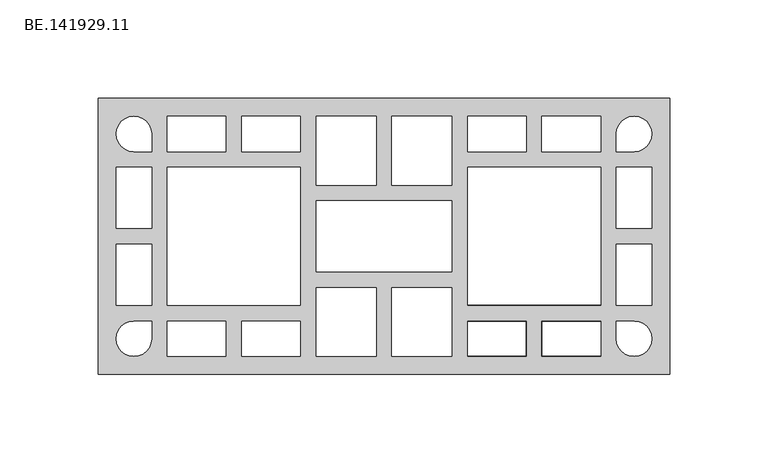
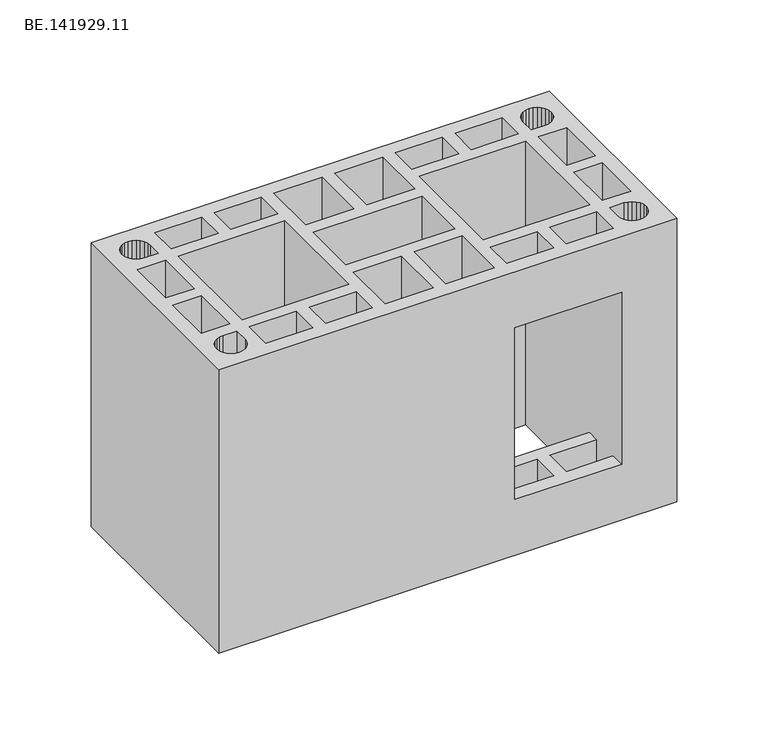
"""IFC4 building model written with IfcOpenShell, lengths in millimetres: proxy geometry, BE.141929.11."""

from ifc_helpers import new_model, si_unit, origin, place, context, project, spatial, faceted_brep, source, transform, mapped, element, save


def be_141929_11_9136598c(model_context):
    return source(origin(), model_context, "Body", "Brep", [
        faceted_brep([(295.0, 70.0050293, 190.0), (5.0, 70.0050293, 190.0), (5.0, -70.0050293, 190.0), (295.0, -70.0050293, 190.0), (29.352002, 58.3592285, 190.0), (30.7844727, 56.498877, 190.0), (31.6774414, 54.3408691, 190.0), (31.9937012, 51.9968262, 190.0), (31.9937012, 43.0113281, 190.0), (22.9895996, 43.0113281, 190.0), (20.6641602, 43.3089844, 190.0), (18.4875488, 44.2019531, 190.0), (16.6271973, 45.6344238, 190.0), (15.1947266, 47.4947754, 190.0), (14.3017578, 49.6713867, 190.0), (13.985498, 51.9968262, 190.0), (14.3017578, 54.3408691, 190.0), (15.1947266, 56.498877, 190.0), (16.6271973, 58.3592285, 190.0), (18.4875488, 59.7916992, 190.0), (20.6641602, 60.7032715, 190.0), (22.9895996, 61.0009277, 190.0), (25.3150391, 60.7032715, 190.0), (27.4916504, 59.7916992, 190.0), (69.7402344, 61.0009277, 190.0), (69.7402344, 43.0113281, 190.0), (39.9932129, 43.0113281, 190.0), (39.9932129, 61.0009277, 190.0), (107.4867676, 61.0009277, 190.0), (107.4867676, 43.0113281, 190.0), (77.7397461, 43.0113281, 190.0), (77.7397461, 61.0009277, 190.0), (145.9960449, 61.0009277, 190.0), (145.9960449, 26.0077148, 190.0), (115.4862793, 26.0077148, 190.0), (115.4862793, 61.0009277, 190.0), (184.4867188, 18.0082031, 190.0), (184.4867188, -17.9895996, 190.0), (115.4862793, -17.9895996, 190.0), (115.4862793, 18.0082031, 190.0), (184.4867188, 26.0077148, 190.0), (153.9955566, 26.0077148, 190.0), (153.9955566, 61.0009277, 190.0), (184.4867188, 61.0009277, 190.0), (192.4862305, 61.0009277, 190.0), (222.233252, 61.0009277, 190.0), (222.233252, 43.0113281, 190.0), (192.4862305, 43.0113281, 190.0), (259.9983887, 61.0009277, 190.0), (259.9983887, 43.0113281, 190.0), (230.2327637, 43.0113281, 190.0), (230.2327637, 61.0009277, 190.0), (269.1885254, 56.498877, 190.0), (270.6209961, 58.3592285, 190.0), (272.4999512, 59.7916992, 190.0), (274.657959, 60.7032715, 190.0), (276.9833984, 61.0009277, 190.0), (279.3274414, 60.7032715, 190.0), (281.4854492, 59.7916992, 190.0), (283.3458008, 58.3592285, 190.0), (284.7782715, 56.498877, 190.0), (285.6898438, 54.3408691, 190.0), (285.9875, 51.9968262, 190.0), (285.6898438, 49.6713867, 190.0), (284.7782715, 47.4947754, 190.0), (283.3458008, 45.6344238, 190.0), (281.4854492, 44.2019531, 190.0), (279.3274414, 43.3089844, 190.0), (276.9833984, 43.0113281, 190.0), (267.9979004, 43.0113281, 190.0), (267.9979004, 51.9968262, 190.0), (268.2955566, 54.3408691, 190.0), (107.4867676, 35.0118164, 190.0), (107.4867676, -34.9932129, 190.0), (39.9932129, -34.9932129, 190.0), (39.9932129, 35.0118164, 190.0), (259.9983887, 35.0118164, 190.0), (259.9983887, -34.9932129, 190.0), (192.4862305, -34.9932129, 190.0), (192.4862305, 35.0118164, 190.0), (267.9979004, 35.0118164, 190.0), (285.9875, 35.0118164, 190.0), (285.9875, 3.9997559, 190.0), (267.9979004, 3.9997559, 190.0), (29.352002, -58.3592285, 190.0), (27.4916504, -59.7916992, 190.0), (25.3150391, -60.7032715, 190.0), (22.9895996, -61.0009277, 190.0), (20.6641602, -60.7032715, 190.0), (18.4875488, -59.7916992, 190.0), (16.6271973, -58.3592285, 190.0), (15.1947266, -56.498877, 190.0), (14.3017578, -54.3408691, 190.0), (13.985498, -51.9968262, 190.0), (14.3017578, -49.6713867, 190.0), (15.1947266, -47.4947754, 190.0), (16.6271973, -45.6344238, 190.0), (18.4875488, -44.2019531, 190.0), (20.6641602, -43.3089844, 190.0), (22.9895996, -43.0113281, 190.0), (31.9937012, -43.0113281, 190.0), (31.9937012, -51.9968262, 190.0), (31.6774414, -54.3408691, 190.0), (30.7844727, -56.498877, 190.0), (69.7402344, -61.0009277, 190.0), (39.9932129, -61.0009277, 190.0), (39.9932129, -43.0113281, 190.0), (69.7402344, -43.0113281, 190.0), (107.4867676, -61.0009277, 190.0), (77.7397461, -61.0009277, 190.0), (77.7397461, -43.0113281, 190.0), (107.4867676, -43.0113281, 190.0), (145.9960449, -61.0009277, 190.0), (115.4862793, -61.0009277, 190.0), (115.4862793, -26.0077148, 190.0), (145.9960449, -26.0077148, 190.0), (184.4867188, -26.0077148, 190.0), (184.4867188, -61.0009277, 190.0), (153.9955566, -61.0009277, 190.0), (153.9955566, -26.0077148, 190.0), (192.4862305, -61.0009277, 190.0), (192.4862305, -43.0113281, 190.0), (222.233252, -43.0113281, 190.0), (222.233252, -61.0009277, 190.0), (259.9983887, -61.0009277, 190.0), (230.2327637, -61.0009277, 190.0), (230.2327637, -43.0113281, 190.0), (259.9983887, -43.0113281, 190.0), (269.1885254, -56.498877, 190.0), (268.2955566, -54.3408691, 190.0), (267.9979004, -51.9968262, 190.0), (267.9979004, -43.0113281, 190.0), (276.9833984, -43.0113281, 190.0), (279.3274414, -43.3089844, 190.0), (281.4854492, -44.2019531, 190.0), (283.3458008, -45.6344238, 190.0), (284.7782715, -47.4947754, 190.0), (285.6898438, -49.6713867, 190.0), (285.9875, -51.9968262, 190.0), (285.6898438, -54.3408691, 190.0), (284.7782715, -56.498877, 190.0), (283.3458008, -58.3592285, 190.0), (281.4854492, -59.7916992, 190.0), (279.3274414, -60.7032715, 190.0), (276.9833984, -61.0009277, 190.0), (274.657959, -60.7032715, 190.0), (272.4999512, -59.7916992, 190.0), (270.6209961, -58.3592285, 190.0), (267.9979004, -35.0118164, 190.0), (267.9979004, -3.9997559, 190.0), (285.9875, -3.9997559, 190.0), (285.9875, -35.0118164, 190.0), (32.0020996, 35.0118164, 190.0), (32.0020996, 3.9997559, 190.0), (14.0125, 3.9997559, 190.0), (14.0125, 35.0118164, 190.0), (32.0020996, -35.0118164, 190.0), (14.0125, -35.0118164, 190.0), (14.0125, -3.9997559, 190.0), (32.0020996, -3.9997559, 190.0), (295.0, 70.0050293, 0.0), (295.0, -70.0050293, 0.0), (5.0, -70.0050293, 0.0), (5.0, 70.0050293, 0.0), (29.352002, 58.3592285, 0.0), (27.4916504, 59.7916992, 0.0), (25.3150391, 60.7032715, 0.0), (22.9895996, 61.0009277, 0.0), (20.6641602, 60.7032715, 0.0), (18.4875488, 59.7916992, 0.0), (16.6271973, 58.3592285, 0.0), (15.1947266, 56.498877, 0.0), (14.3017578, 54.3408691, 0.0), (13.985498, 51.9968262, 0.0), (14.3017578, 49.6713867, 0.0), (15.1947266, 47.4947754, 0.0), (16.6271973, 45.6344238, 0.0), (18.4875488, 44.2019531, 0.0), (20.6641602, 43.3089844, 0.0), (22.9895996, 43.0113281, 0.0), (31.9937012, 43.0113281, 0.0), (31.9937012, 51.9968262, 0.0), (31.6774414, 54.3408691, 0.0), (30.7844727, 56.498877, 0.0), (69.7402344, 61.0009277, 0.0), (39.9932129, 61.0009277, 0.0), (39.9932129, 43.0113281, 0.0), (69.7402344, 43.0113281, 0.0), (107.4867676, 61.0009277, 0.0), (77.7397461, 61.0009277, 0.0), (77.7397461, 43.0113281, 0.0), (107.4867676, 43.0113281, 0.0), (145.9960449, 61.0009277, 0.0), (115.4862793, 61.0009277, 0.0), (115.4862793, 26.0077148, 0.0), (145.9960449, 26.0077148, 0.0), (184.4867188, 18.0082031, 0.0), (115.4862793, 18.0082031, 0.0), (115.4862793, -17.9895996, 0.0), (184.4867188, -17.9895996, 0.0), (184.4867188, 26.0077148, 0.0), (184.4867188, 61.0009277, 0.0), (153.9955566, 61.0009277, 0.0), (153.9955566, 26.0077148, 0.0), (192.4862305, 61.0009277, 0.0), (192.4862305, 43.0113281, 0.0), (222.233252, 43.0113281, 0.0), (222.233252, 61.0009277, 0.0), (259.9983887, 61.0009277, 0.0), (230.2327637, 61.0009277, 0.0), (230.2327637, 43.0113281, 0.0), (259.9983887, 43.0113281, 0.0), (269.1885254, 56.498877, 0.0), (268.2955566, 54.3408691, 0.0), (267.9979004, 51.9968262, 0.0), (267.9979004, 43.0113281, 0.0), (276.9833984, 43.0113281, 0.0), (279.3274414, 43.3089844, 0.0), (281.4854492, 44.2019531, 0.0), (283.3458008, 45.6344238, 0.0), (284.7782715, 47.4947754, 0.0), (285.6898438, 49.6713867, 0.0), (285.9875, 51.9968262, 0.0), (285.6898438, 54.3408691, 0.0), (284.7782715, 56.498877, 0.0), (283.3458008, 58.3592285, 0.0), (281.4854492, 59.7916992, 0.0), (279.3274414, 60.7032715, 0.0), (276.9833984, 61.0009277, 0.0), (274.657959, 60.7032715, 0.0), (272.4999512, 59.7916992, 0.0), (270.6209961, 58.3592285, 0.0), (107.4867676, 35.0118164, 0.0), (39.9932129, 35.0118164, 0.0), (39.9932129, -34.9932129, 0.0), (107.4867676, -34.9932129, 0.0), (259.9983887, 35.0118164, 0.0), (192.4862305, 35.0118164, 0.0), (192.4862305, -34.9932129, 0.0), (259.9983887, -34.9932129, 0.0), (267.9979004, 35.0118164, 0.0), (267.9979004, 3.9997559, 0.0), (285.9875, 3.9997559, 0.0), (285.9875, 35.0118164, 0.0), (29.352002, -58.3592285, 0.0), (30.7844727, -56.498877, 0.0), (31.6774414, -54.3408691, 0.0), (31.9937012, -51.9968262, 0.0), (31.9937012, -43.0113281, 0.0), (22.9895996, -43.0113281, 0.0), (20.6641602, -43.3089844, 0.0), (18.4875488, -44.2019531, 0.0), (16.6271973, -45.6344238, 0.0), (15.1947266, -47.4947754, 0.0), (14.3017578, -49.6713867, 0.0), (13.985498, -51.9968262, 0.0), (14.3017578, -54.3408691, 0.0), (15.1947266, -56.498877, 0.0), (16.6271973, -58.3592285, 0.0), (18.4875488, -59.7916992, 0.0), (20.6641602, -60.7032715, 0.0), (22.9895996, -61.0009277, 0.0), (25.3150391, -60.7032715, 0.0), (27.4916504, -59.7916992, 0.0), (69.7402344, -61.0009277, 0.0), (69.7402344, -43.0113281, 0.0), (39.9932129, -43.0113281, 0.0), (39.9932129, -61.0009277, 0.0), (107.4867676, -61.0009277, 0.0), (107.4867676, -43.0113281, 0.0), (77.7397461, -43.0113281, 0.0), (77.7397461, -61.0009277, 0.0), (145.9960449, -61.0009277, 0.0), (145.9960449, -26.0077148, 0.0), (115.4862793, -26.0077148, 0.0), (115.4862793, -61.0009277, 0.0), (184.4867188, -26.0077148, 0.0), (153.9955566, -26.0077148, 0.0), (153.9955566, -61.0009277, 0.0), (184.4867188, -61.0009277, 0.0), (192.4862305, -61.0009277, 0.0), (222.233252, -61.0009277, 0.0), (222.233252, -43.0113281, 0.0), (192.4862305, -43.0113281, 0.0), (259.9983887, -61.0009277, 0.0), (259.9983887, -43.0113281, 0.0), (230.2327637, -43.0113281, 0.0), (230.2327637, -61.0009277, 0.0), (269.1885254, -56.498877, 0.0), (270.6209961, -58.3592285, 0.0), (272.4999512, -59.7916992, 0.0), (274.657959, -60.7032715, 0.0), (276.9833984, -61.0009277, 0.0), (279.3274414, -60.7032715, 0.0), (281.4854492, -59.7916992, 0.0), (283.3458008, -58.3592285, 0.0), (284.7782715, -56.498877, 0.0), (285.6898438, -54.3408691, 0.0), (285.9875, -51.9968262, 0.0), (285.6898438, -49.6713867, 0.0), (284.7782715, -47.4947754, 0.0), (283.3458008, -45.6344238, 0.0), (281.4854492, -44.2019531, 0.0), (279.3274414, -43.3089844, 0.0), (276.9833984, -43.0113281, 0.0), (267.9979004, -43.0113281, 0.0), (267.9979004, -51.9968262, 0.0), (268.2955566, -54.3408691, 0.0), (267.9979004, -35.0118164, 0.0), (285.9875, -35.0118164, 0.0), (285.9875, -3.9997559, 0.0), (267.9979004, -3.9997559, 0.0), (32.0020996, 35.0118164, 0.0), (14.0125, 35.0118164, 0.0), (14.0125, 3.9997559, 0.0), (32.0020996, 3.9997559, 0.0), (32.0020996, -35.0118164, 0.0), (32.0020996, -3.9997559, 0.0), (14.0125, -3.9997559, 0.0), (14.0125, -35.0118164, 0.0), (192.4862305, -70.0050293, 152.5), (259.9983887, -70.0050293, 152.5), (259.9983887, -70.0050293, 37.5), (192.4862305, -70.0050293, 37.5), (259.9983887, -61.0009277, 152.5), (259.9983887, -43.0113281, 152.5), (259.9983887, -34.9932129, 152.5), (259.9983887, -34.9932129, 37.5), (259.9983887, -43.0113281, 37.5), (259.9983887, -61.0009277, 37.5), (192.4862305, -34.9932129, 152.5), (192.4862305, -34.9932129, 37.5), (192.4862305, -61.0009277, 152.5), (192.4862305, -61.0009277, 37.5), (192.4862305, -43.0113281, 37.5), (192.4862305, -43.0113281, 152.5), (222.233252, -43.0113281, 152.5), (222.233252, -43.0113281, 37.5), (222.233252, -61.0009277, 152.5), (222.233252, -61.0009277, 37.5), (230.2327637, -61.0009277, 152.5), (230.2327637, -61.0009277, 37.5), (230.2327637, -43.0113281, 152.5), (230.2327637, -43.0113281, 37.5)], [[[0, 1, 2, 3], [4, 5, 6, 7, 8, 9, 10, 11, 12, 13, 14, 15, 16, 17, 18, 19, 20, 21, 22, 23], [24, 25, 26, 27], [28, 29, 30, 31], [32, 33, 34, 35], [36, 37, 38, 39], [40, 41, 42, 43], [44, 45, 46, 47], [48, 49, 50, 51], [52, 53, 54, 55, 56, 57, 58, 59, 60, 61, 62, 63, 64, 65, 66, 67, 68, 69, 70, 71], [72, 73, 74, 75], [76, 77, 78, 79], [80, 81, 82, 83], [84, 85, 86, 87, 88, 89, 90, 91, 92, 93, 94, 95, 96, 97, 98, 99, 100, 101, 102, 103], [104, 105, 106, 107], [108, 109, 110, 111], [112, 113, 114, 115], [116, 117, 118, 119], [120, 121, 122, 123], [124, 125, 126, 127], [128, 129, 130, 131, 132, 133, 134, 135, 136, 137, 138, 139, 140, 141, 142, 143, 144, 145, 146, 147], [148, 149, 150, 151], [152, 153, 154, 155], [156, 157, 158, 159]], [[160, 161, 162, 163], [164, 165, 166, 167, 168, 169, 170, 171, 172, 173, 174, 175, 176, 177, 178, 179, 180, 181, 182, 183], [184, 185, 186, 187], [188, 189, 190, 191], [192, 193, 194, 195], [196, 197, 198, 199], [200, 201, 202, 203], [204, 205, 206, 207], [208, 209, 210, 211], [212, 213, 214, 215, 216, 217, 218, 219, 220, 221, 222, 223, 224, 225, 226, 227, 228, 229, 230, 231], [232, 233, 234, 235], [236, 237, 238, 239], [240, 241, 242, 243], [244, 245, 246, 247, 248, 249, 250, 251, 252, 253, 254, 255, 256, 257, 258, 259, 260, 261, 262, 263], [264, 265, 266, 267], [268, 269, 270, 271], [272, 273, 274, 275], [276, 277, 278, 279], [280, 281, 282, 283], [284, 285, 286, 287], [288, 289, 290, 291, 292, 293, 294, 295, 296, 297, 298, 299, 300, 301, 302, 303, 304, 305, 306, 307], [308, 309, 310, 311], [312, 313, 314, 315], [316, 317, 318, 319]], [[1, 0, 160, 163]], [[2, 1, 163, 162]], [[3, 2, 162, 161], [320, 321, 322, 323]], [[0, 3, 161, 160]], [[5, 4, 164, 183]], [[6, 5, 183, 182]], [[7, 6, 182, 181]], [[8, 7, 181, 180]], [[9, 8, 180, 179]], [[10, 9, 179, 178]], [[11, 10, 178, 177]], [[12, 11, 177, 176]], [[13, 12, 176, 175]], [[14, 13, 175, 174]], [[15, 14, 174, 173]], [[16, 15, 173, 172]], [[17, 16, 172, 171]], [[18, 17, 171, 170]], [[19, 18, 170, 169]], [[20, 19, 169, 168]], [[21, 20, 168, 167]], [[22, 21, 167, 166]], [[23, 22, 166, 165]], [[4, 23, 165, 164]], [[25, 24, 184, 187]], [[26, 25, 187, 186]], [[27, 26, 186, 185]], [[24, 27, 185, 184]], [[29, 28, 188, 191]], [[30, 29, 191, 190]], [[31, 30, 190, 189]], [[28, 31, 189, 188]], [[33, 32, 192, 195]], [[34, 33, 195, 194]], [[35, 34, 194, 193]], [[32, 35, 193, 192]], [[37, 36, 196, 199]], [[38, 37, 199, 198]], [[39, 38, 198, 197]], [[36, 39, 197, 196]], [[41, 40, 200, 203]], [[42, 41, 203, 202]], [[43, 42, 202, 201]], [[40, 43, 201, 200]], [[45, 44, 204, 207]], [[46, 45, 207, 206]], [[47, 46, 206, 205]], [[44, 47, 205, 204]], [[49, 48, 208, 211]], [[50, 49, 211, 210]], [[51, 50, 210, 209]], [[48, 51, 209, 208]], [[53, 52, 212, 231]], [[54, 53, 231, 230]], [[55, 54, 230, 229]], [[56, 55, 229, 228]], [[57, 56, 228, 227]], [[58, 57, 227, 226]], [[59, 58, 226, 225]], [[60, 59, 225, 224]], [[61, 60, 224, 223]], [[62, 61, 223, 222]], [[63, 62, 222, 221]], [[64, 63, 221, 220]], [[65, 64, 220, 219]], [[66, 65, 219, 218]], [[67, 66, 218, 217]], [[68, 67, 217, 216]], [[69, 68, 216, 215]], [[70, 69, 215, 214]], [[71, 70, 214, 213]], [[52, 71, 213, 212]], [[73, 72, 232, 235]], [[74, 73, 235, 234]], [[75, 74, 234, 233]], [[72, 75, 233, 232]], [[321, 324, 124, 127, 325, 326, 77, 76, 236, 239, 327, 328, 285, 284, 329, 322]], [[78, 77, 326, 330]], [[239, 238, 331, 327]], [[332, 320, 323, 333, 280, 283, 334, 331, 238, 237, 79, 78, 330, 335, 121, 120]], [[76, 79, 237, 236]], [[81, 80, 240, 243]], [[82, 81, 243, 242]], [[83, 82, 242, 241]], [[80, 83, 241, 240]], [[85, 84, 244, 263]], [[86, 85, 263, 262]], [[87, 86, 262, 261]], [[88, 87, 261, 260]], [[89, 88, 260, 259]], [[90, 89, 259, 258]], [[91, 90, 258, 257]], [[92, 91, 257, 256]], [[93, 92, 256, 255]], [[94, 93, 255, 254]], [[95, 94, 254, 253]], [[96, 95, 253, 252]], [[97, 96, 252, 251]], [[98, 97, 251, 250]], [[99, 98, 250, 249]], [[100, 99, 249, 248]], [[101, 100, 248, 247]], [[102, 101, 247, 246]], [[103, 102, 246, 245]], [[84, 103, 245, 244]], [[105, 104, 264, 267]], [[106, 105, 267, 266]], [[107, 106, 266, 265]], [[104, 107, 265, 264]], [[109, 108, 268, 271]], [[110, 109, 271, 270]], [[111, 110, 270, 269]], [[108, 111, 269, 268]], [[113, 112, 272, 275]], [[114, 113, 275, 274]], [[115, 114, 274, 273]], [[112, 115, 273, 272]], [[117, 116, 276, 279]], [[118, 117, 279, 278]], [[119, 118, 278, 277]], [[116, 119, 277, 276]], [[122, 121, 335, 336]], [[283, 282, 337, 334]], [[123, 122, 336, 338]], [[282, 281, 339, 337]], [[120, 123, 338, 332]], [[281, 280, 333, 339]], [[125, 124, 324, 340]], [[284, 287, 341, 329]], [[126, 125, 340, 342]], [[287, 286, 343, 341]], [[127, 126, 342, 325]], [[286, 285, 328, 343]], [[129, 128, 288, 307]], [[130, 129, 307, 306]], [[131, 130, 306, 305]], [[132, 131, 305, 304]], [[133, 132, 304, 303]], [[134, 133, 303, 302]], [[135, 134, 302, 301]], [[136, 135, 301, 300]], [[137, 136, 300, 299]], [[138, 137, 299, 298]], [[139, 138, 298, 297]], [[140, 139, 297, 296]], [[141, 140, 296, 295]], [[142, 141, 295, 294]], [[143, 142, 294, 293]], [[144, 143, 293, 292]], [[145, 144, 292, 291]], [[146, 145, 291, 290]], [[147, 146, 290, 289]], [[128, 147, 289, 288]], [[149, 148, 308, 311]], [[150, 149, 311, 310]], [[151, 150, 310, 309]], [[148, 151, 309, 308]], [[153, 152, 312, 315]], [[154, 153, 315, 314]], [[155, 154, 314, 313]], [[152, 155, 313, 312]], [[157, 156, 316, 319]], [[158, 157, 319, 318]], [[159, 158, 318, 317]], [[156, 159, 317, 316]], [[320, 332, 338, 336, 335, 330, 326, 325, 342, 340, 324, 321]], [[333, 323, 322, 329, 341, 343, 328, 327, 331, 334, 337, 339]]]),
    ])


if __name__ == "__main__":
    model = new_model("IFC4")
    model_context = context("Model", 3, world=origin())
    ifc_project = project(units=[si_unit("LENGTHUNIT", "METRE", prefix="MILLI")], contexts=[model_context])
    site = spatial("IfcSite", under=ifc_project)
    building = spatial("IfcBuilding", under=site)
    placement = place(None, origin())
    be_141929_11_shape = be_141929_11_9136598c(model_context)
    element("IfcBuildingElementProxy", 1, Name="BE.141929.11", ObjectType="BE.141929.11", at=placement, inside=building, context=model_context, shape_type="MappedRepresentation", body=[
        mapped(be_141929_11_shape, transform((0.0, 0.0, 0.0), x_axis=(1.0, 0.0, 0.0), y_axis=(0.0, 1.0, 0.0), z_axis=(0.0, 0.0, 1.0))),
    ])
    save(model, "model.ifc")
